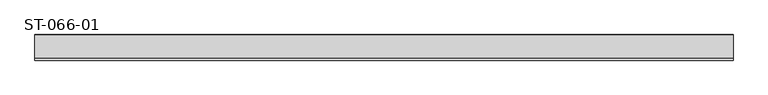
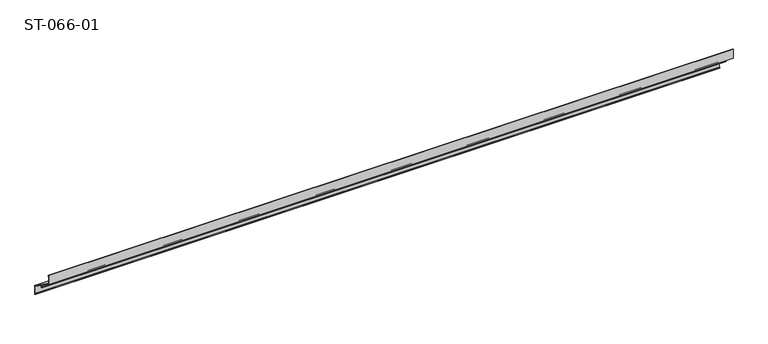
"""IFC4 building model written with IfcOpenShell, lengths in millimetres: plate geometry, ST-066-01."""

from ifc_helpers import new_model, si_unit, point, frame, frame_2d, origin, place, context, project, spatial, polyline, circle_curve, trimmed, segment, composite_curve, outline, extrude, source, transform, mapped, element, save


def st_066_01_8a597d38(model_context):
    return source(origin(), model_context, "Body", "SweptSolid", [
        extrude(outline(composite_curve([segment(polyline([(55.0, -57.2650992), (55.0, -77.6051786), (51.1, -74.8743692), (51.1, -72.5548974), (53.1, -73.9553125), (53.1, -57.7336096), (30.6, -41.9789399), (30.6, -46.2525893), (28.6, -46.2525893), (28.6, -40.5785249), (26.4, -39.0380683), (26.4, -43.535432), (24.4, -41.535432), (24.4, -37.6376532), (0.0, -20.5525893), (0.0, 0.0), (3.9, -2.7308094), (3.9, -5.0502811), (1.9, -3.649866), (1.9, -19.5635119), (54.5735764, -56.4459472)]), True, "CONTINUOUS"), segment(trimmed(circle_curve(frame_2d((54.0, -57.2650992)), 1.0), [point((54.5735764, -56.4459472))], [point((55.0, -57.2650992))], False, "CARTESIAN"), True, "CONTINUOUS")], self_intersect=False)), frame((-750.0, 0.0, 0.0), z_axis=(1.0, 0.0, 0.0), x_axis=(0.0, 1.0, 0.0)), (0.0, 0.0, 1.0), 1499.7321324),
    ])


if __name__ == "__main__":
    model = new_model("IFC4")
    model_context = context("Model", 3, world=origin())
    ifc_project = project(units=[si_unit("LENGTHUNIT", "METRE", prefix="MILLI")], contexts=[model_context])
    site = spatial("IfcSite", under=ifc_project)
    building = spatial("IfcBuilding", under=site)
    placement = place(None, origin())
    st_066_01_shape = st_066_01_8a597d38(model_context)
    element("IfcPlate", 1, ObjectType="ST-066-01", at=placement, inside=building, context=model_context, shape_type="MappedRepresentation", body=[
        mapped(st_066_01_shape, transform((0.0, 0.0, 0.0), x_axis=(1.0, 0.0, 0.0), y_axis=(0.0, 1.0, 0.0), z_axis=(0.0, 0.0, 1.0))),
    ])
    save(model, "model.ifc")
